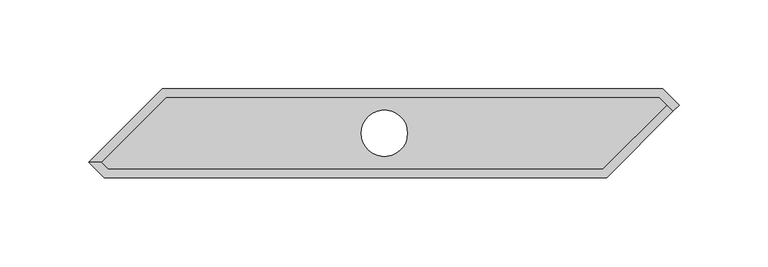
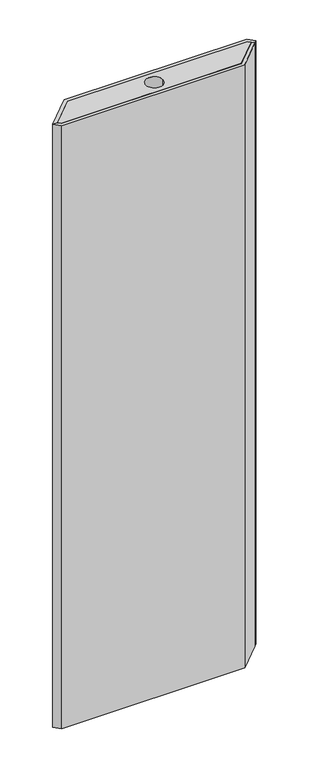
"""IFC4 building model written with IfcOpenShell, lengths in millimetres: proxy geometry."""

from ifc_helpers import new_model, si_unit, point, frame_2d, origin, origin_with_axes, place, context, project, spatial, polyline, circle_curve, trimmed, segment, composite_curve, outline, extrude, source, transform, mapped, element, save


def generic_models_ec013404(model_context):
    return source(origin(), model_context, "Body", "SweptSolid", [
        extrude(outline(polyline([(97.9289322, 5.0), (-180.2835982, 5.0), (-183.9644661, 8.6808679), (-147.645334, 45.0), (129.6731025, 45.0), (133.8010174, 40.8720852), (97.9289322, 5.0)]), holes=[composite_curve([segment(trimmed(circle_curve(frame_2d((-25.0, 25.0)), 13.0), [point((-38.0, 25.0))], [point((-12.0, 25.0))], True, "CARTESIAN"), True, "CONTINUOUS"), segment(trimmed(circle_curve(frame_2d((-25.0, 25.0)), 13.0), [point((-12.0, 25.0))], [point((-38.0, 25.0))], True, "CARTESIAN"), True, "CONTINUOUS")], self_intersect=False)]), origin_with_axes(), (0.0, 0.0, 1.0), 983.0),
        extrude(outline(polyline([(100.0, 0.0), (-182.6382641, 0.0), (-191.3191321, 8.6808679), (-183.9644661, 8.6808679), (-180.2835982, 5.0), (97.9289322, 5.0), (133.8010174, 40.8720852), (137.3365513, 37.3365513), (100.0, 0.0)])), origin_with_axes(), (0.0, 0.0, 1.0), 983.0),
        extrude(outline(polyline([(140.8720852, 40.8720852), (137.3365513, 37.3365513), (129.6731025, 45.0), (-147.645334, 45.0), (-183.9644661, 8.6808679), (-191.3191321, 8.6808679), (-150.0, 50.0), (131.7441703, 50.0), (140.8720852, 40.8720852)])), origin_with_axes(), (0.0, 0.0, 1.0), 983.0),
    ])


if __name__ == "__main__":
    model = new_model("IFC4")
    model_context = context("Model", 3, world=origin())
    ifc_project = project(units=[si_unit("LENGTHUNIT", "METRE", prefix="MILLI")], contexts=[model_context])
    site = spatial("IfcSite", under=ifc_project)
    building = spatial("IfcBuilding", under=site)
    placement = place(None, origin())
    generic_models_shape = generic_models_ec013404(model_context)
    element("IfcBuildingElementProxy", 1, Name="Generic Models", at=placement, inside=building, context=model_context, shape_type="MappedRepresentation", body=[
        mapped(generic_models_shape, transform((0.0, 0.0, 0.0), x_axis=(1.0, 0.0, 0.0), y_axis=(0.0, 1.0, 0.0), z_axis=(0.0, 0.0, 1.0))),
    ])
    save(model, "model.ifc")
